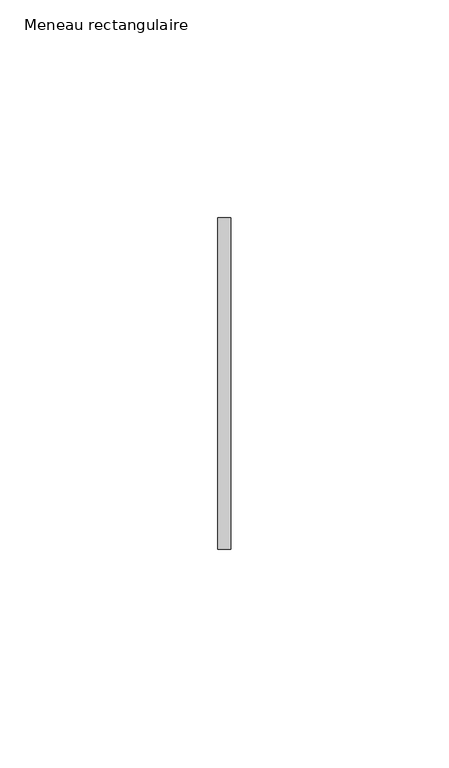
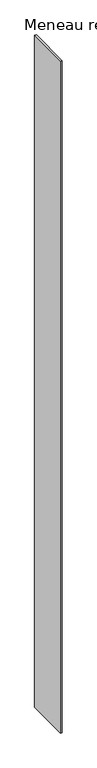
"""IFC4 building model written with IfcOpenShell, lengths in millimetres: member geometry, Meneau rectangulaire."""

from ifc_helpers import new_model, si_unit, frame, origin, place, context, project, spatial, polyline, outline, extrude, source, transform, mapped, element, save


def meneau_rectangulaire_85cd5fc4(model_context):
    return source(origin(), model_context, "Body", "SweptSolid", [
        extrude(outline(polyline([(-1.5, 38.0), (1.5, 38.0), (1.5, -38.0), (-1.5, -38.0), (-1.5, 38.0)])), frame((0.0, 0.0, -1209.7500002), z_axis=(0.0, 0.0, 1.0), x_axis=(1.0, 0.0, 0.0)), (0.0, 0.0, 1.0), 1209.7500002),
    ])


if __name__ == "__main__":
    model = new_model("IFC4")
    model_context = context("Model", 3, world=origin())
    ifc_project = project(units=[si_unit("LENGTHUNIT", "METRE", prefix="MILLI")], contexts=[model_context])
    site = spatial("IfcSite", under=ifc_project)
    building = spatial("IfcBuilding", under=site)
    placement = place(None, origin())
    meneau_rectangulaire_shape = meneau_rectangulaire_85cd5fc4(model_context)
    element("IfcMember", 1, ObjectType="Meneau rectangulaire", at=placement, inside=building, context=model_context, shape_type="MappedRepresentation", body=[
        mapped(meneau_rectangulaire_shape, transform((0.0, 0.0, 0.0), x_axis=(1.0, 0.0, 0.0), y_axis=(0.0, 1.0, 0.0), z_axis=(0.0, 0.0, 1.0))),
    ])
    save(model, "model.ifc")
